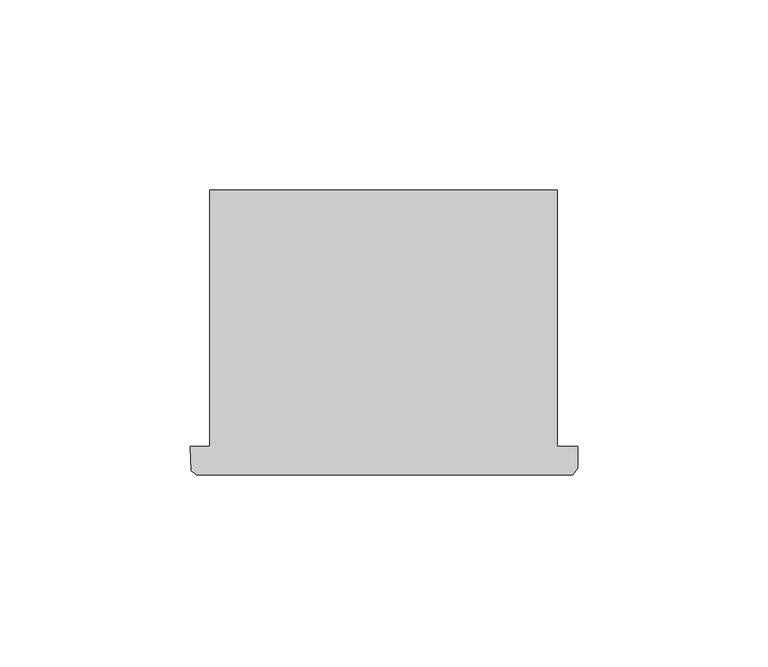
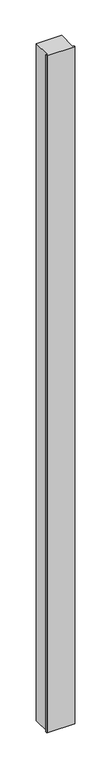
"""IFC4 building model written with IfcOpenShell, lengths in millimetres: column geometry."""

from ifc_helpers import new_model, si_unit, frame, origin, place, context, project, spatial, polyline, outline, extrude, source, transform, mapped, element, save


def column_4eb89ef8(model_context):
    return source(origin(), model_context, "Body", "SweptSolid", [
        extrude(outline(polyline([(73231.3998158, -43095.9927258), (73236.4909664, -43095.9927258), (73236.4909664, -43028.7069066), (73327.6977944, -43028.7069066), (73327.6977944, -43095.9927258), (73332.9998158, -43095.9927258), (73332.9998158, -43101.6853992), (73331.7595592, -43103.45583), (73233.0431196, -43103.45583), (73231.554832, -43102.3737392), (73231.3998158, -43095.9927258)])), frame((0.0, 0.0, 4419.601524), z_axis=(0.0, 0.0, 1.0), x_axis=(1.0, 0.0, 0.0)), (0.0, 0.0, 1.0), 2590.8000565),
        extrude(outline(polyline([(73231.3998158, -43095.9927258), (73236.4909664, -43095.9927258), (73236.4909664, -43028.7069066), (73327.6977944, -43028.7069066), (73327.6977944, -43095.9927258), (73332.9998158, -43095.9927258), (73332.9998158, -43101.6853992), (73331.7595592, -43103.45583), (73233.0431196, -43103.45583), (73231.554832, -43102.3737392), (73231.3998158, -43095.9927258)])), frame((0.0, 0.0, 4419.601524), z_axis=(0.0, 0.0, 1.0), x_axis=(1.0, 0.0, 0.0)), (0.0, 0.0, 1.0), 2590.8000565),
    ])


if __name__ == "__main__":
    model = new_model("IFC4")
    model_context = context("Model", 3, world=origin())
    ifc_project = project(units=[si_unit("LENGTHUNIT", "METRE", prefix="MILLI")], contexts=[model_context])
    site = spatial("IfcSite", under=ifc_project)
    building = spatial("IfcBuilding", under=site)
    placement = place(None, origin())
    column_shape = column_4eb89ef8(model_context)
    element("IfcColumn", 1, at=placement, inside=building, context=model_context, shape_type="MappedRepresentation", body=[
        mapped(column_shape, transform((0.0, 0.0, 0.0), x_axis=(1.0, 0.0, 0.0), y_axis=(0.0, 1.0, 0.0), z_axis=(0.0, 0.0, 1.0))),
    ])
    save(model, "model.ifc")
